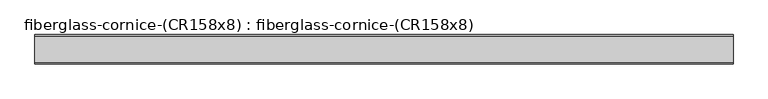
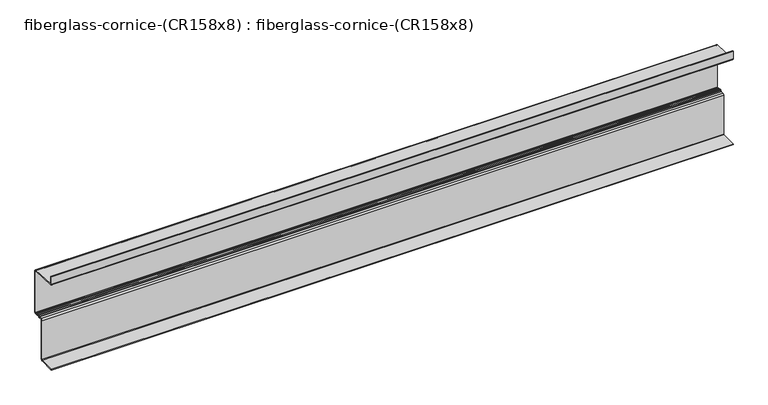
"""IFC4 building model written with IfcOpenShell, lengths in millimetres: furniture geometry, fiberglass-cornice-(CR158x8) : fiberglass-cornice-(CR158x8)."""

from ifc_helpers import new_model, si_unit, point, frame, frame_2d, origin, place, context, project, spatial, polyline, circle_curve, trimmed, segment, composite_curve, outline, extrude, source, transform, mapped, element, save


def fiberglass_cornice_cr158x8_fiberglass_cornice_cr158x8_571d46c1(model_context):
    return source(origin(), model_context, "Body", "SweptSolid", [
        extrude(outline(composite_curve([segment(polyline([(101.5999989, 330.1999904), (106.3624989, 330.1999904), (106.3624989, 282.1175966)]), True, "CONTINUOUS"), segment(trimmed(circle_curve(frame_2d((109.4053218, 282.1175966)), 3.0428229), [point((106.3624989, 282.1175966))], [point((109.4053218, 279.0747737))], True, "CARTESIAN"), True, "CONTINUOUS"), segment(polyline([(109.4053218, 279.0747737), (261.9303133, 272.7195594)]), True, "CONTINUOUS"), segment(trimmed(circle_curve(frame_2d((261.9303133, 264.7748727)), 7.9446867), [point((261.9303133, 272.7195594))], [point((269.875, 264.7748727))], False, "CARTESIAN"), True, "CONTINUOUS"), segment(polyline([(269.875, 264.7748727), (269.875, 7.8336533)]), True, "CONTINUOUS"), segment(trimmed(circle_curve(frame_2d((261.9375, 7.8336533)), 7.9375), [point((269.875, 7.8336533))], [point((261.9375, -0.1038467))], False, "CARTESIAN"), True, "CONTINUOUS"), segment(polyline([(261.9375, -0.1038467), (247.670096, -0.1038467)]), True, "CONTINUOUS"), segment(trimmed(circle_curve(frame_2d((247.670096, 3.0711533)), 3.175), [point((247.670096, -0.1038467))], [point((244.495096, 3.0711533))], False, "CARTESIAN"), True, "CONTINUOUS"), segment(trimmed(circle_curve(frame_2d((241.320096, 3.0711533)), 3.175), [point((244.495096, 3.0711533))], [point((241.320096, 6.2461533))], True, "CARTESIAN"), True, "CONTINUOUS"), segment(polyline([(241.320096, 6.2461533), (234.8860667, 6.2461533)]), True, "CONTINUOUS"), segment(trimmed(circle_curve(frame_2d((234.8860667, 3.0711533)), 3.175), [point((234.8860667, 6.2461533))], [point((231.7110667, 3.0711533))], True, "CARTESIAN"), True, "CONTINUOUS"), segment(trimmed(circle_curve(frame_2d((228.5360667, 3.0711533)), 3.175), [point((231.7110667, 3.0711533))], [point((228.5360667, -0.1038467))], False, "CARTESIAN"), True, "CONTINUOUS"), segment(polyline([(228.5360667, -0.1038467), (206.375, -0.1038467)]), True, "CONTINUOUS"), segment(trimmed(circle_curve(frame_2d((206.375, -3.2788467)), 3.175), [point((206.375, -0.1038467))], [point((203.2, -3.2788467))], True, "CARTESIAN"), True, "CONTINUOUS"), segment(polyline([(203.2, -3.2788467), (203.2, -246.1065858)]), True, "CONTINUOUS"), segment(trimmed(circle_curve(frame_2d((195.2625, -246.1065858)), 7.9375), [point((203.2, -246.1065858))], [point((195.2625, -254.0440858))], False, "CARTESIAN"), True, "CONTINUOUS"), segment(polyline([(195.2625, -254.0440858), (101.6, -254.0440858), (101.6, -249.2815858), (195.2625, -249.2815858)]), True, "CONTINUOUS"), segment(trimmed(circle_curve(frame_2d((195.2625, -246.1065858)), 3.175), [point((195.2625, -249.2815858))], [point((198.4375, -246.1065858))], True, "CARTESIAN"), True, "CONTINUOUS"), segment(polyline([(198.4375, -246.1065858), (198.4375, -3.2788467)]), True, "CONTINUOUS"), segment(trimmed(circle_curve(frame_2d((206.375, -3.2788467)), 7.9375), [point((198.4375, -3.2788467))], [point((206.375, 4.6586533))], False, "CARTESIAN"), True, "CONTINUOUS"), segment(polyline([(206.375, 4.6586533), (223.5715566, 4.6586533)]), True, "CONTINUOUS"), segment(trimmed(circle_curve(frame_2d((223.5715566, 7.8336533)), 3.175), [point((223.5715566, 4.6586533))], [point((226.7458648, 7.7673757))], True, "CARTESIAN"), True, "CONTINUOUS"), segment(trimmed(circle_curve(frame_2d((229.9201729, 7.7010981)), 3.175), [point((226.7458648, 7.7673757))], [point((229.9201729, 10.8760981))], False, "CARTESIAN"), True, "CONTINUOUS"), segment(polyline([(229.9201729, 10.8760981), (245.8276406, 10.8760981)]), True, "CONTINUOUS"), segment(trimmed(circle_curve(frame_2d((245.8276406, 7.7010981)), 3.175), [point((245.8276406, 10.8760981))], [point((249.0026406, 7.7010676))], False, "CARTESIAN"), True, "CONTINUOUS"), segment(trimmed(circle_curve(frame_2d((252.1762569, 7.8350986)), 3.1764453), [point((249.0026406, 7.7010676))], [point((252.1762569, 4.6586533))], True, "CARTESIAN"), True, "CONTINUOUS"), segment(polyline([(252.1762569, 4.6586533), (261.9375, 4.6586533)]), True, "CONTINUOUS"), segment(trimmed(circle_curve(frame_2d((261.9375, 7.8336533)), 3.175), [point((261.9375, 4.6586533))], [point((265.1125, 7.8336533))], True, "CARTESIAN"), True, "CONTINUOUS"), segment(polyline([(265.1125, 7.8336533), (265.1125, 264.7748727)]), True, "CONTINUOUS"), segment(trimmed(circle_curve(frame_2d((261.9346253, 264.7748727)), 3.1778747), [point((265.1125, 264.7748727))], [point((261.9346253, 267.9527474))], True, "CARTESIAN"), True, "CONTINUOUS"), segment(polyline([(261.9346253, 267.9527474), (109.2070561, 274.3164025)]), True, "CONTINUOUS"), segment(trimmed(circle_curve(frame_2d((109.2070561, 281.9234597)), 7.6070572), [point((109.2070561, 274.3164025))], [point((101.5999989, 281.9234597))], False, "CARTESIAN"), True, "CONTINUOUS"), segment(polyline([(101.5999989, 281.9234597), (101.5999989, 330.1999904)]), True, "CONTINUOUS")], self_intersect=False)), frame((-2012.9498044, 0.0, 0.0), z_axis=(1.0, 0.0, 0.0), x_axis=(0.0, 1.0, 0.0)), (0.0, 0.0, 1.0), 4025.8996087),
    ])


if __name__ == "__main__":
    model = new_model("IFC4")
    model_context = context("Model", 3, world=origin())
    ifc_project = project(units=[si_unit("LENGTHUNIT", "METRE", prefix="MILLI")], contexts=[model_context])
    site = spatial("IfcSite", under=ifc_project)
    building = spatial("IfcBuilding", under=site)
    placement = place(None, origin())
    fiberglass_cornice_cr158x8_fiberglass_cornice_cr158x8_shape = fiberglass_cornice_cr158x8_fiberglass_cornice_cr158x8_571d46c1(model_context)
    element("IfcFurniture", 1, ObjectType="fiberglass-cornice-(CR158x8) : fiberglass-cornice-(CR158x8)", at=placement, inside=building, context=model_context, shape_type="MappedRepresentation", body=[
        mapped(fiberglass_cornice_cr158x8_fiberglass_cornice_cr158x8_shape, transform((0.0, 0.0, 0.0), x_axis=(1.0, 0.0, 0.0), y_axis=(0.0, 1.0, 0.0), z_axis=(0.0, 0.0, 1.0))),
    ])
    save(model, "model.ifc")
